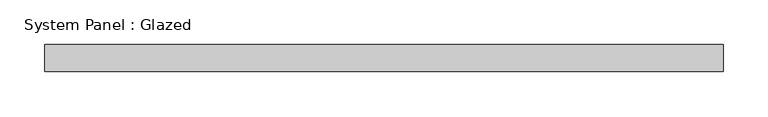
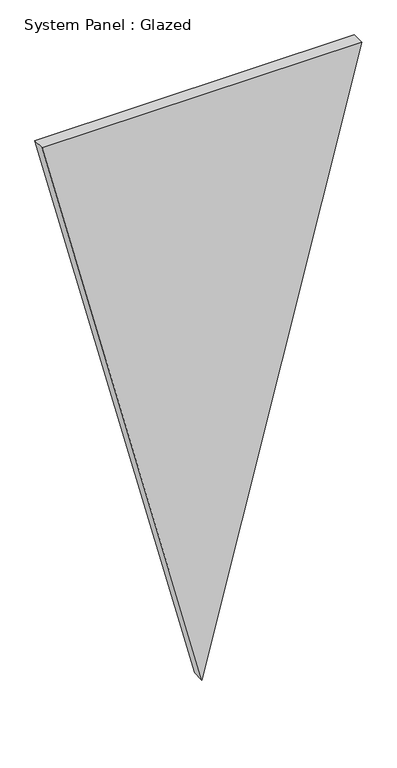
"""IFC4 building model written with IfcOpenShell, lengths in millimetres: plate geometry, System Panel : Glazed."""

import ifcopenshell
import ifcopenshell.guid

model = None  # the IFC model being written
_history = None  # IfcOwnerHistory: only IFC2X3 demands one
_inside = {}  # id of a spatial element -> (the spatial element, [elements in it])
_under = {}  # id of a project, library or spatial element -> (it, [spatial elements below it])
_declared = {}  # id of a project -> (the project, [libraries it declares])
_typed = {}  # id of a type object -> (the type object, [elements of that type])
_made_of = {}  # id of a material, layer set ... -> (it, [elements and type objects made of it])


def new_model(schema):
    """Start an empty IFC model of exactly this schema.

    Asked for "IFC4X3", IfcOpenShell would pick the latest addendum, in which some entities
    have other attributes; the version numbers below select the first issue.
    IFC2X3 requires an IfcOwnerHistory on every rooted entity: one is made here for all.
    """
    global model, _history
    if schema == "IFC4X3":
        model = ifcopenshell.file(schema_version=(4, 3, 0, 0))
    else:
        model = ifcopenshell.file(schema=schema)
    _inside.clear()
    _under.clear()
    _declared.clear()
    _typed.clear()
    _made_of.clear()
    _history = None
    if model.schema == "IFC2X3":
        org = make("IfcOrganization", Name="unknown")
        user = make(
            "IfcPersonAndOrganization",
            ThePerson=make("IfcPerson", FamilyName="unknown"),
            TheOrganization=org,
        )
        app = make(
            "IfcApplication",
            ApplicationDeveloper=org,
            Version="unknown",
            ApplicationFullName="unknown",
            ApplicationIdentifier="unknown",
        )
        _history = make(
            "IfcOwnerHistory",
            OwningUser=user,
            OwningApplication=app,
            ChangeAction="ADDED",
            CreationDate=0,
        )
    return model


def make(cls, **values):
    """One entity of the class cls with the attributes given. An attribute that is None is left unset."""
    return model.create_entity(
        cls, **{name: value for name, value in values.items() if value is not None}
    )


def rooted(cls, **values):
    """An entity with a GlobalId (a new one), such as an element, a storey or a relation."""
    return make(cls, GlobalId=ifcopenshell.guid.new(), OwnerHistory=_history, **values)


def si_unit(unit_type, name, prefix=None):
    """IfcSIUnit, for example si_unit("LENGTHUNIT", "METRE", prefix="MILLI")."""
    return make("IfcSIUnit", UnitType=unit_type, Prefix=prefix, Name=name)


def assignment(units):
    """IfcUnitAssignment: the units of a project."""
    return None if units is None else make("IfcUnitAssignment", Units=units)


def point(xyz):
    """IfcCartesianPoint."""
    return None if xyz is None else make("IfcCartesianPoint", Coordinates=xyz)


def direction(xyz):
    """IfcDirection."""
    return None if xyz is None else make("IfcDirection", DirectionRatios=xyz)


def frame(location, z_axis=None, x_axis=None):
    """IfcAxis2Placement3D, a coordinate frame: its origin and axes. An axis left out is left unset."""
    return make(
        "IfcAxis2Placement3D",
        Location=point(location),
        Axis=direction(z_axis),
        RefDirection=direction(x_axis),
    )


def origin():
    """The frame at (0, 0, 0) with its axes left unset."""
    return frame((0.0, 0.0, 0.0))


def place(relative_to, where):
    """IfcLocalPlacement: puts the frame where relative to a parent placement (None: the world)."""
    return make(
        "IfcLocalPlacement", PlacementRelTo=relative_to, RelativePlacement=where
    )


def context(
    kind, dimensions, precision=None, world=None, true_north=None, identifier=None
):
    """IfcGeometricRepresentationContext, for example the 3D "Model" context."""
    return make(
        "IfcGeometricRepresentationContext",
        ContextIdentifier=identifier,
        ContextType=kind,
        CoordinateSpaceDimension=dimensions,
        Precision=precision,
        WorldCoordinateSystem=world,
        TrueNorth=true_north,
    )


def project(units=None, contexts=None):
    """IfcProject with its units and contexts."""
    return rooted(
        "IfcProject",
        Name="project",
        RepresentationContexts=contexts,
        UnitsInContext=assignment(units),
    )


def spatial(cls, under=None, at=None, **own):
    """A site, building, storey or space (cls), placed at a placement, below another one or the project."""
    s = rooted(cls, ObjectPlacement=at, **own)
    if under is not None:
        _under.setdefault(under.id(), (under, []))[1].append(s)
    return s


def polyline(points):
    """IfcPolyline through the points."""
    return make("IfcPolyline", Points=[point(p) for p in points])


def outline(outer, holes=None, kind="AREA"):
    """IfcArbitraryClosedProfileDef: a profile drawn as a closed curve; with holes, ...WithVoids."""
    if holes is None:
        return make("IfcArbitraryClosedProfileDef", ProfileType=kind, OuterCurve=outer)
    return make(
        "IfcArbitraryProfileDefWithVoids",
        ProfileType=kind,
        OuterCurve=outer,
        InnerCurves=holes,
    )


def extrude(swept, where, along, depth):
    """IfcExtrudedAreaSolid: the profile swept, set in the frame where, extruded along a direction by depth."""
    return make(
        "IfcExtrudedAreaSolid",
        SweptArea=swept,
        Position=where,
        ExtrudedDirection=direction(along),
        Depth=depth,
    )


def shape(context_of_items, identifier, shape_type, items):
    """IfcShapeRepresentation: the items that make up one representation, for example the "Body"."""
    return make(
        "IfcShapeRepresentation",
        ContextOfItems=context_of_items,
        RepresentationIdentifier=identifier,
        RepresentationType=shape_type,
        Items=items,
    )


def source(mapping_origin, context_of_items, identifier, shape_type, items):
    """IfcRepresentationMap: a shape defined once, which mapped items show again and again."""
    return make(
        "IfcRepresentationMap",
        MappingOrigin=mapping_origin,
        MappedRepresentation=shape(context_of_items, identifier, shape_type, items),
    )


def transform(
    local_origin,
    x_axis=None,
    y_axis=None,
    z_axis=None,
    scale=None,
    scale2=None,
    scale3=None,
    uniform=True,
):
    """IfcCartesianTransformationOperator3D, or its non-uniform kind. x_axis, y_axis, z_axis: its Axis1, 2, 3."""
    if uniform:
        return make(
            "IfcCartesianTransformationOperator3D",
            Axis1=direction(x_axis),
            Axis2=direction(y_axis),
            LocalOrigin=point(local_origin),
            Scale=scale,
            Axis3=direction(z_axis),
        )
    return make(
        "IfcCartesianTransformationOperator3DnonUniform",
        Axis1=direction(x_axis),
        Axis2=direction(y_axis),
        LocalOrigin=point(local_origin),
        Scale=scale,
        Axis3=direction(z_axis),
        Scale2=scale2,
        Scale3=scale3,
    )


def mapped(mapping_source, mapping_target):
    """IfcMappedItem: shows the shape of a source again, moved by a transform."""
    return make(
        "IfcMappedItem", MappingSource=mapping_source, MappingTarget=mapping_target
    )


def made_of(thing, what):
    """Note that an element or type object is made of a material, layer set ...; save() writes the relation."""
    if what is not None:
        _made_of.setdefault(what.id(), (what, []))[1].append(thing)
    return thing


def element(
    cls,
    number,
    at=None,
    inside=None,
    cuts=None,
    type_object=None,
    material=None,
    context=None,
    identifier="Body",
    shape_type=None,
    held_by="IfcProductDefinitionShape",
    body=None,
    shapes=None,
    **own,
):
    """One element of the class cls, such as IfcWall. Its Tag is "e" and its number.

    at: its placement. inside: the storey or other place that contains it. cuts: it is an
    opening in that element (IfcRelVoidsElement). A single representation is given by context,
    identifier, shape_type and body (its items); several are given by shapes. held_by: the class
    of the entity that holds the representations. save() writes the other relations.
    """
    e = rooted(cls, Tag="e%d" % number, ObjectPlacement=at, **own)
    if body is not None:
        shapes = [shape(context, identifier, shape_type, body)]
    if shapes is not None:
        e.Representation = make(held_by, Representations=shapes)
    if inside is not None:
        _inside.setdefault(inside.id(), (inside, []))[1].append(e)
    if cuts is not None:
        rooted(
            "IfcRelVoidsElement", RelatingBuildingElement=cuts, RelatedOpeningElement=e
        )
    if type_object is not None:
        _typed.setdefault(type_object.id(), (type_object, []))[1].append(e)
    return made_of(e, material)


def aggregate(whole, parts):
    """IfcRelAggregates: a whole, such as a stair, and the parts it consists of."""
    return rooted("IfcRelAggregates", RelatingObject=whole, RelatedObjects=parts)


def save(model, path):
    """Write the relations noted so far, then the file.

    IfcRelAggregates (storeys below a building ...), IfcRelContainedInSpatialStructure (elements
    in a storey), IfcRelDefinesByType, IfcRelAssociatesMaterial and IfcRelDeclares: one each for
    every whole, place, type object, material and project.
    """
    for whole, parts in _under.values():
        aggregate(whole, parts)
    for where, things in _inside.values():
        rooted(
            "IfcRelContainedInSpatialStructure",
            RelatedElements=things,
            RelatingStructure=where,
        )
    for kind, things in _typed.values():
        rooted("IfcRelDefinesByType", RelatedObjects=things, RelatingType=kind)
    for what, things in _made_of.values():
        rooted("IfcRelAssociatesMaterial", RelatedObjects=things, RelatingMaterial=what)
    for by, libraries in _declared.values():
        rooted("IfcRelDeclares", RelatingContext=by, RelatedDefinitions=libraries)
    model.write(path)


def system_panel_glazed_4f4d24ea(model_context):
    return source(origin(), model_context, "Body", "SweptSolid", [
        extrude(outline(polyline([(1463.7629134, -377.8969509), (0.0, 0.0), (1463.7629134, 377.8969509), (1463.7629134, -377.8969509)])), frame((0.0, -36.8101562, 0.0), z_axis=(0.0, 1.0, 0.0), x_axis=(0.0, 0.0, 1.0)), (0.0, 0.0, 1.0), 30.1625),
    ])


if __name__ == "__main__":
    model = new_model("IFC4")
    model_context = context("Model", 3, world=origin())
    ifc_project = project(units=[si_unit("LENGTHUNIT", "METRE", prefix="MILLI")], contexts=[model_context])
    site = spatial("IfcSite", under=ifc_project)
    building = spatial("IfcBuilding", under=site)
    placement = place(None, origin())
    system_panel_glazed_shape = system_panel_glazed_4f4d24ea(model_context)
    element("IfcPlate", 1, ObjectType="System Panel : Glazed", at=placement, inside=building, context=model_context, shape_type="MappedRepresentation", body=[
        mapped(system_panel_glazed_shape, transform((0.0, 0.0, 0.0), x_axis=(1.0, 0.0, 0.0), y_axis=(0.0, 1.0, 0.0), z_axis=(0.0, 0.0, 1.0))),
    ])
    save(model, "model.ifc")
